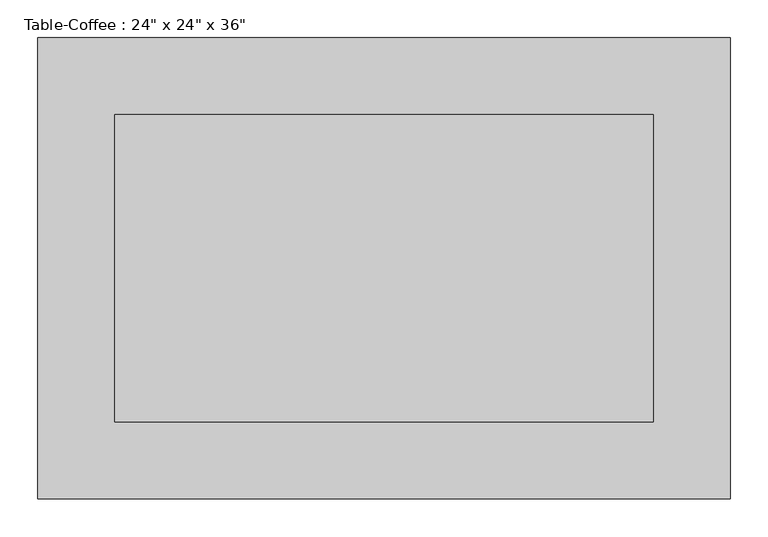
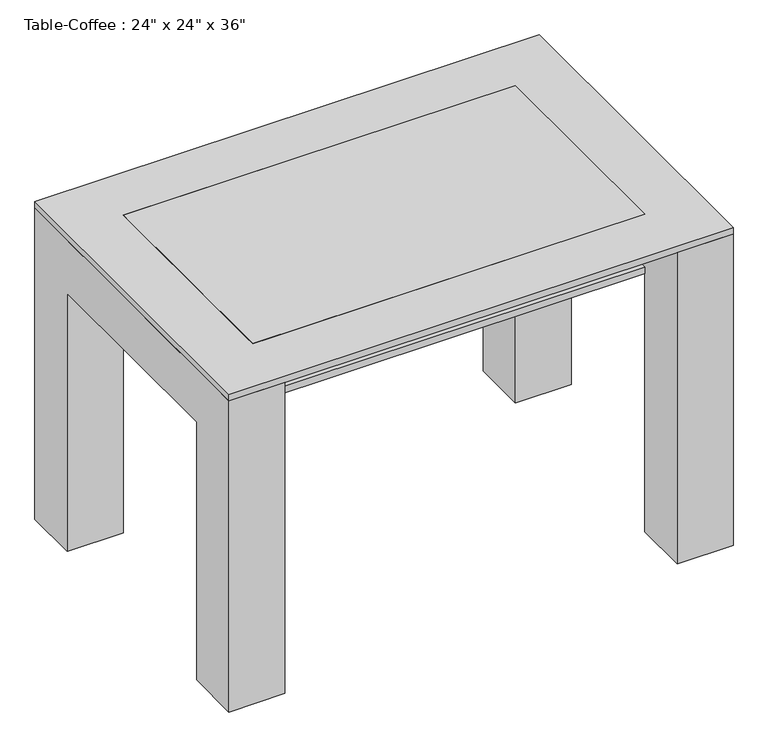
"""IFC4 building model written with IfcOpenShell, lengths in millimetres: furniture geometry."""

from ifc_helpers import new_model, si_unit, frame, origin, place, context, project, spatial, polyline, outline, extrude, source, transform, mapped, element, save


def furniture_e54d05d9(model_context):
    return source(origin(), model_context, "Body", "SweptSolid", [
        extrude(outline(polyline([(373.8657667, 298.4110778), (373.8657667, -107.9889222), (-337.3342333, -107.9889222), (-337.3342333, 298.4110778), (373.8657667, 298.4110778)])), frame((0.0, 0.0, 495.3), z_axis=(0.0, 0.0, 1.0), x_axis=(1.0, 0.0, 0.0)), (0.0, 0.0, 1.0), 12.7),
        extrude(outline(polyline([(400.0110778, 0.0), (298.4110778, 0.0), (298.4110778, 495.3), (-107.9889222, 495.3), (-107.9889222, 0.0), (-209.5889222, 0.0), (-209.5889222, 596.9), (400.0110778, 596.9), (400.0110778, 0.0)])), frame((373.8657667, 0.0, 0.0), z_axis=(1.0, 0.0, 0.0), x_axis=(0.0, 1.0, 0.0)), (0.0, 0.0, 1.0), 101.6),
        extrude(outline(polyline([(400.0110778, 596.9), (400.0110778, 0.0), (298.4110778, 0.0), (298.4110778, 495.3), (-107.9889222, 495.3), (-107.9889222, 0.0), (-209.5889222, 0.0), (-209.5889222, 596.9), (400.0110778, 596.9)])), frame((-438.9342333, 0.0, 0.0), z_axis=(1.0, 0.0, 0.0), x_axis=(0.0, 1.0, 0.0)), (0.0, 0.0, 1.0), 101.6),
        extrude(outline(polyline([(373.8657667, 298.4110778), (373.8657667, -107.9889222), (-337.3342333, -107.9889222), (-337.3342333, 298.4110778), (373.8657667, 298.4110778)])), frame((0.0, 0.0, 596.9), z_axis=(0.0, 0.0, 1.0), x_axis=(1.0, 0.0, 0.0)), (0.0, 0.0, 1.0), 12.7),
        extrude(outline(polyline([(475.4657667, 400.0110778), (475.4657667, -209.5889222), (-438.9342333, -209.5889222), (-438.9342333, 400.0110778), (475.4657667, 400.0110778)]), holes=[polyline([(373.8657667, 298.4110778), (-337.3342333, 298.4110778), (-337.3342333, -107.9889222), (373.8657667, -107.9889222), (373.8657667, 298.4110778)])]), frame((0.0, 0.0, 596.9), z_axis=(0.0, 0.0, 1.0), x_axis=(1.0, 0.0, 0.0)), (0.0, 0.0, 1.0), 12.7),
    ])


if __name__ == "__main__":
    model = new_model("IFC4")
    model_context = context("Model", 3, world=origin())
    ifc_project = project(units=[si_unit("LENGTHUNIT", "METRE", prefix="MILLI")], contexts=[model_context])
    site = spatial("IfcSite", under=ifc_project)
    building = spatial("IfcBuilding", under=site)
    placement = place(None, origin())
    furniture_shape = furniture_e54d05d9(model_context)
    element("IfcFurniture", 1, ObjectType="Table-Coffee : 24\" x 24\" x 36\"", at=placement, inside=building, context=model_context, shape_type="MappedRepresentation", body=[
        mapped(furniture_shape, transform((0.0, 0.0, 0.0), x_axis=(1.0, 0.0, 0.0), y_axis=(0.0, 1.0, 0.0), z_axis=(0.0, 0.0, 1.0))),
    ])
    save(model, "model.ifc")
